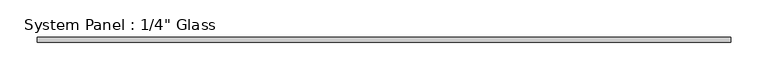
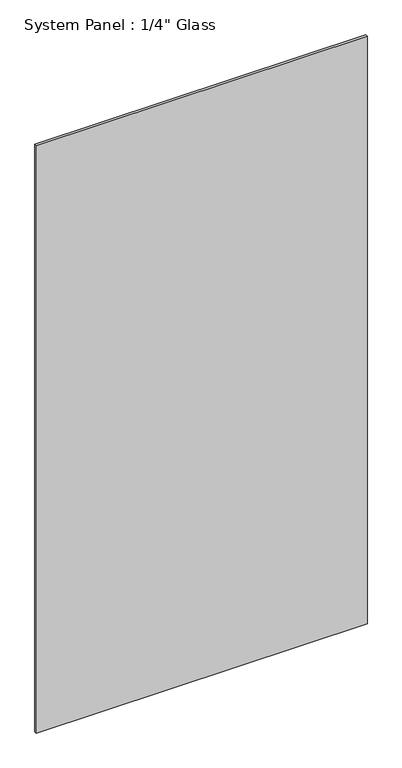
"""IFC4 building model written with IfcOpenShell, lengths in millimetres: plate geometry."""

from ifc_helpers import new_model, si_unit, origin, origin_with_axes, place, context, project, spatial, polyline, outline, extrude, source, transform, mapped, element, save


def plate_c1dbd9c3(model_context):
    return source(origin(), model_context, "Body", "SweptSolid", [
        extrude(outline(polyline([(463.55, -3.175), (-463.55, -3.175), (-463.55, 3.175), (463.55, 3.175), (463.55, -3.175)])), origin_with_axes(), (0.0, 0.0, 1.0), 1739.9),
    ])


if __name__ == "__main__":
    model = new_model("IFC4")
    model_context = context("Model", 3, world=origin())
    ifc_project = project(units=[si_unit("LENGTHUNIT", "METRE", prefix="MILLI")], contexts=[model_context])
    site = spatial("IfcSite", under=ifc_project)
    building = spatial("IfcBuilding", under=site)
    placement = place(None, origin())
    plate_shape = plate_c1dbd9c3(model_context)
    element("IfcPlate", 1, ObjectType="System Panel : 1/4\" Glass", at=placement, inside=building, context=model_context, shape_type="MappedRepresentation", body=[
        mapped(plate_shape, transform((0.0, 0.0, 0.0), x_axis=(1.0, 0.0, 0.0), y_axis=(0.0, 1.0, 0.0), z_axis=(0.0, 0.0, 1.0))),
    ])
    save(model, "model.ifc")
